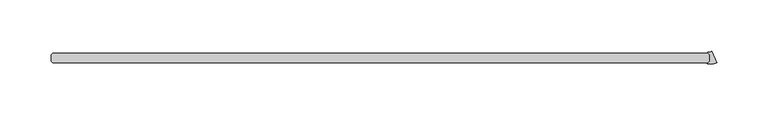
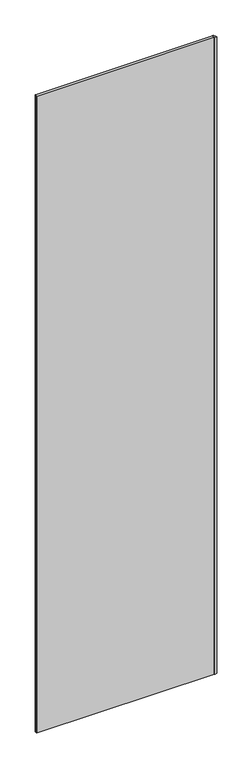
"""IFC4 building model written with IfcOpenShell, lengths in millimetres: plate geometry."""

from ifc_helpers import new_model, si_unit, point, frame_2d, origin, origin_with_axes, place, context, project, spatial, polyline, circle_curve, trimmed, segment, composite_curve, outline, extrude, source, transform, mapped, element, save


def plate_90564281(model_context):
    return source(origin(), model_context, "Body", "SweptSolid", [
        extrude(outline(composite_curve([segment(trimmed(circle_curve(frame_2d((325.462995, -18.5950115)), 17.6705863), [point((331.659972, -35.1433375))], [point((322.9799997, -36.0902781))], False, "CARTESIAN"), True, "CONTINUOUS"), segment(trimmed(circle_curve(frame_2d((323.0357669, -35.6973407)), 0.396875), [point((322.9799997, -36.0902781))], [point((322.7551339, -35.4167077))], False, "CARTESIAN"), True, "CONTINUOUS"), segment(polyline([(322.7551339, -35.4167077), (324.8343416, -33.3375), (324.8343416, -26.9875), (323.1278746, -25.2810331)]), True, "CONTINUOUS"), segment(trimmed(circle_curve(frame_2d((323.4085076, -25.0004)), 0.396875), [point((323.1278746, -25.2810331))], [point((323.4004278, -24.6036073))], False, "CARTESIAN"), True, "CONTINUOUS"), segment(trimmed(circle_curve(frame_2d((323.2331067, -16.386585)), 8.2187257), [point((323.4004278, -24.6036073))], [point((326.9309388, -23.7264413))], True, "CARTESIAN"), True, "CONTINUOUS"), segment(polyline([(326.9309388, -23.7264413), (331.659972, -35.1433375)]), True, "CONTINUOUS")], self_intersect=False)), origin_with_axes(), (0.0, 0.0, 1.0), 2428.7789267),
        extrude(outline(polyline([(323.2468416, -34.925), (-315.515625, -34.925), (-317.103125, -33.3375), (-317.103125, -26.9875), (-315.515625, -25.4), (323.2468416, -25.4), (324.8343416, -26.9875), (324.8343416, -33.3375), (323.2468416, -34.925)])), origin_with_axes(), (0.0, 0.0, 1.0), 2428.7789267),
    ])


if __name__ == "__main__":
    model = new_model("IFC4")
    model_context = context("Model", 3, world=origin())
    ifc_project = project(units=[si_unit("LENGTHUNIT", "METRE", prefix="MILLI")], contexts=[model_context])
    site = spatial("IfcSite", under=ifc_project)
    building = spatial("IfcBuilding", under=site)
    placement = place(None, origin())
    plate_shape = plate_90564281(model_context)
    element("IfcPlate", 1, at=placement, inside=building, context=model_context, shape_type="MappedRepresentation", body=[
        mapped(plate_shape, transform((0.0, 0.0, 0.0), x_axis=(1.0, 0.0, 0.0), y_axis=(0.0, 1.0, 0.0), z_axis=(0.0, 0.0, 1.0))),
    ])
    save(model, "model.ifc")
